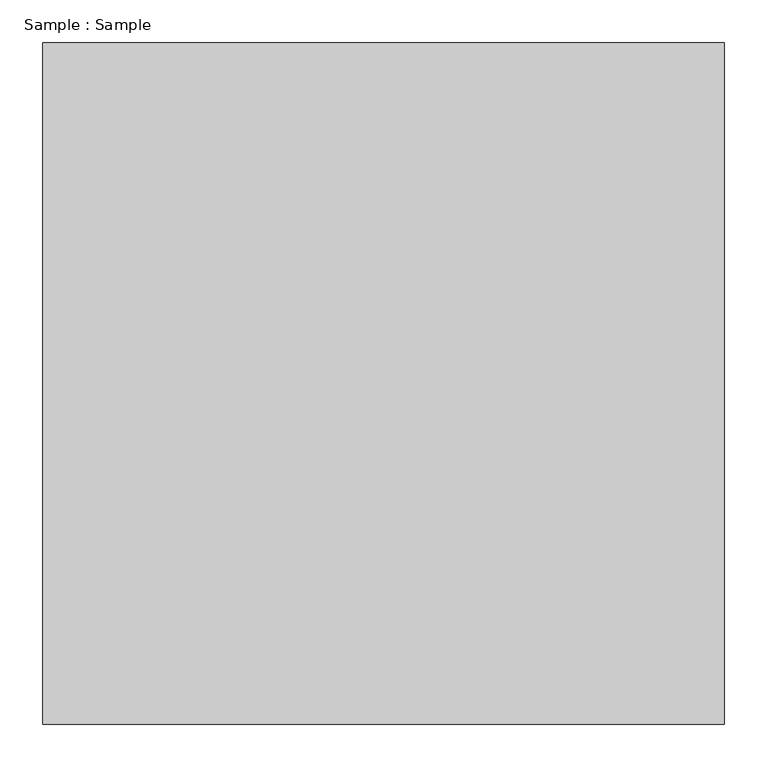
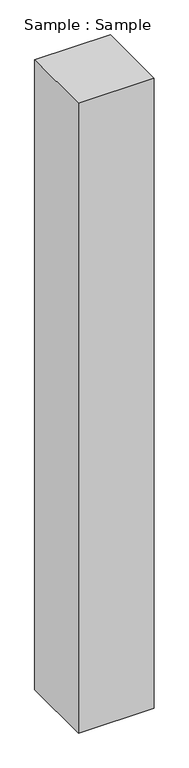
"""IFC4 building model written with IfcOpenShell, lengths in millimetres: proxy geometry, Sample : Sample."""

import ifcopenshell
import ifcopenshell.guid

model = None  # the IFC model being written
_history = None  # IfcOwnerHistory: only IFC2X3 demands one
_inside = {}  # id of a spatial element -> (the spatial element, [elements in it])
_under = {}  # id of a project, library or spatial element -> (it, [spatial elements below it])
_declared = {}  # id of a project -> (the project, [libraries it declares])
_typed = {}  # id of a type object -> (the type object, [elements of that type])
_made_of = {}  # id of a material, layer set ... -> (it, [elements and type objects made of it])


def new_model(schema):
    """Start an empty IFC model of exactly this schema.

    Asked for "IFC4X3", IfcOpenShell would pick the latest addendum, in which some entities
    have other attributes; the version numbers below select the first issue.
    IFC2X3 requires an IfcOwnerHistory on every rooted entity: one is made here for all.
    """
    global model, _history
    if schema == "IFC4X3":
        model = ifcopenshell.file(schema_version=(4, 3, 0, 0))
    else:
        model = ifcopenshell.file(schema=schema)
    _inside.clear()
    _under.clear()
    _declared.clear()
    _typed.clear()
    _made_of.clear()
    _history = None
    if model.schema == "IFC2X3":
        org = make("IfcOrganization", Name="unknown")
        user = make(
            "IfcPersonAndOrganization",
            ThePerson=make("IfcPerson", FamilyName="unknown"),
            TheOrganization=org,
        )
        app = make(
            "IfcApplication",
            ApplicationDeveloper=org,
            Version="unknown",
            ApplicationFullName="unknown",
            ApplicationIdentifier="unknown",
        )
        _history = make(
            "IfcOwnerHistory",
            OwningUser=user,
            OwningApplication=app,
            ChangeAction="ADDED",
            CreationDate=0,
        )
    return model


def make(cls, **values):
    """One entity of the class cls with the attributes given. An attribute that is None is left unset."""
    return model.create_entity(
        cls, **{name: value for name, value in values.items() if value is not None}
    )


def rooted(cls, **values):
    """An entity with a GlobalId (a new one), such as an element, a storey or a relation."""
    return make(cls, GlobalId=ifcopenshell.guid.new(), OwnerHistory=_history, **values)


def si_unit(unit_type, name, prefix=None):
    """IfcSIUnit, for example si_unit("LENGTHUNIT", "METRE", prefix="MILLI")."""
    return make("IfcSIUnit", UnitType=unit_type, Prefix=prefix, Name=name)


def assignment(units):
    """IfcUnitAssignment: the units of a project."""
    return None if units is None else make("IfcUnitAssignment", Units=units)


def point(xyz):
    """IfcCartesianPoint."""
    return None if xyz is None else make("IfcCartesianPoint", Coordinates=xyz)


def direction(xyz):
    """IfcDirection."""
    return None if xyz is None else make("IfcDirection", DirectionRatios=xyz)


def frame(location, z_axis=None, x_axis=None):
    """IfcAxis2Placement3D, a coordinate frame: its origin and axes. An axis left out is left unset."""
    return make(
        "IfcAxis2Placement3D",
        Location=point(location),
        Axis=direction(z_axis),
        RefDirection=direction(x_axis),
    )


def origin():
    """The frame at (0, 0, 0) with its axes left unset."""
    return frame((0.0, 0.0, 0.0))


def origin_with_axes():
    """The frame at (0, 0, 0) with the z axis (0, 0, 1) and the x axis (1, 0, 0) written out."""
    return frame((0.0, 0.0, 0.0), z_axis=(0.0, 0.0, 1.0), x_axis=(1.0, 0.0, 0.0))


def place(relative_to, where):
    """IfcLocalPlacement: puts the frame where relative to a parent placement (None: the world)."""
    return make(
        "IfcLocalPlacement", PlacementRelTo=relative_to, RelativePlacement=where
    )


def context(
    kind, dimensions, precision=None, world=None, true_north=None, identifier=None
):
    """IfcGeometricRepresentationContext, for example the 3D "Model" context."""
    return make(
        "IfcGeometricRepresentationContext",
        ContextIdentifier=identifier,
        ContextType=kind,
        CoordinateSpaceDimension=dimensions,
        Precision=precision,
        WorldCoordinateSystem=world,
        TrueNorth=true_north,
    )


def project(units=None, contexts=None):
    """IfcProject with its units and contexts."""
    return rooted(
        "IfcProject",
        Name="project",
        RepresentationContexts=contexts,
        UnitsInContext=assignment(units),
    )


def spatial(cls, under=None, at=None, **own):
    """A site, building, storey or space (cls), placed at a placement, below another one or the project."""
    s = rooted(cls, ObjectPlacement=at, **own)
    if under is not None:
        _under.setdefault(under.id(), (under, []))[1].append(s)
    return s


def polyline(points):
    """IfcPolyline through the points."""
    return make("IfcPolyline", Points=[point(p) for p in points])


def outline(outer, holes=None, kind="AREA"):
    """IfcArbitraryClosedProfileDef: a profile drawn as a closed curve; with holes, ...WithVoids."""
    if holes is None:
        return make("IfcArbitraryClosedProfileDef", ProfileType=kind, OuterCurve=outer)
    return make(
        "IfcArbitraryProfileDefWithVoids",
        ProfileType=kind,
        OuterCurve=outer,
        InnerCurves=holes,
    )


def extrude(swept, where, along, depth):
    """IfcExtrudedAreaSolid: the profile swept, set in the frame where, extruded along a direction by depth."""
    return make(
        "IfcExtrudedAreaSolid",
        SweptArea=swept,
        Position=where,
        ExtrudedDirection=direction(along),
        Depth=depth,
    )


def shape(context_of_items, identifier, shape_type, items):
    """IfcShapeRepresentation: the items that make up one representation, for example the "Body"."""
    return make(
        "IfcShapeRepresentation",
        ContextOfItems=context_of_items,
        RepresentationIdentifier=identifier,
        RepresentationType=shape_type,
        Items=items,
    )


def source(mapping_origin, context_of_items, identifier, shape_type, items):
    """IfcRepresentationMap: a shape defined once, which mapped items show again and again."""
    return make(
        "IfcRepresentationMap",
        MappingOrigin=mapping_origin,
        MappedRepresentation=shape(context_of_items, identifier, shape_type, items),
    )


def transform(
    local_origin,
    x_axis=None,
    y_axis=None,
    z_axis=None,
    scale=None,
    scale2=None,
    scale3=None,
    uniform=True,
):
    """IfcCartesianTransformationOperator3D, or its non-uniform kind. x_axis, y_axis, z_axis: its Axis1, 2, 3."""
    if uniform:
        return make(
            "IfcCartesianTransformationOperator3D",
            Axis1=direction(x_axis),
            Axis2=direction(y_axis),
            LocalOrigin=point(local_origin),
            Scale=scale,
            Axis3=direction(z_axis),
        )
    return make(
        "IfcCartesianTransformationOperator3DnonUniform",
        Axis1=direction(x_axis),
        Axis2=direction(y_axis),
        LocalOrigin=point(local_origin),
        Scale=scale,
        Axis3=direction(z_axis),
        Scale2=scale2,
        Scale3=scale3,
    )


def mapped(mapping_source, mapping_target):
    """IfcMappedItem: shows the shape of a source again, moved by a transform."""
    return make(
        "IfcMappedItem", MappingSource=mapping_source, MappingTarget=mapping_target
    )


def made_of(thing, what):
    """Note that an element or type object is made of a material, layer set ...; save() writes the relation."""
    if what is not None:
        _made_of.setdefault(what.id(), (what, []))[1].append(thing)
    return thing


def element(
    cls,
    number,
    at=None,
    inside=None,
    cuts=None,
    type_object=None,
    material=None,
    context=None,
    identifier="Body",
    shape_type=None,
    held_by="IfcProductDefinitionShape",
    body=None,
    shapes=None,
    **own,
):
    """One element of the class cls, such as IfcWall. Its Tag is "e" and its number.

    at: its placement. inside: the storey or other place that contains it. cuts: it is an
    opening in that element (IfcRelVoidsElement). A single representation is given by context,
    identifier, shape_type and body (its items); several are given by shapes. held_by: the class
    of the entity that holds the representations. save() writes the other relations.
    """
    e = rooted(cls, Tag="e%d" % number, ObjectPlacement=at, **own)
    if body is not None:
        shapes = [shape(context, identifier, shape_type, body)]
    if shapes is not None:
        e.Representation = make(held_by, Representations=shapes)
    if inside is not None:
        _inside.setdefault(inside.id(), (inside, []))[1].append(e)
    if cuts is not None:
        rooted(
            "IfcRelVoidsElement", RelatingBuildingElement=cuts, RelatedOpeningElement=e
        )
    if type_object is not None:
        _typed.setdefault(type_object.id(), (type_object, []))[1].append(e)
    return made_of(e, material)


def aggregate(whole, parts):
    """IfcRelAggregates: a whole, such as a stair, and the parts it consists of."""
    return rooted("IfcRelAggregates", RelatingObject=whole, RelatedObjects=parts)


def save(model, path):
    """Write the relations noted so far, then the file.

    IfcRelAggregates (storeys below a building ...), IfcRelContainedInSpatialStructure (elements
    in a storey), IfcRelDefinesByType, IfcRelAssociatesMaterial and IfcRelDeclares: one each for
    every whole, place, type object, material and project.
    """
    for whole, parts in _under.values():
        aggregate(whole, parts)
    for where, things in _inside.values():
        rooted(
            "IfcRelContainedInSpatialStructure",
            RelatedElements=things,
            RelatingStructure=where,
        )
    for kind, things in _typed.values():
        rooted("IfcRelDefinesByType", RelatedObjects=things, RelatingType=kind)
    for what, things in _made_of.values():
        rooted("IfcRelAssociatesMaterial", RelatedObjects=things, RelatingMaterial=what)
    for by, libraries in _declared.values():
        rooted("IfcRelDeclares", RelatingContext=by, RelatedDefinitions=libraries)
    model.write(path)


def sample_sample_3f653bab(model_context):
    return source(origin(), model_context, "Body", "SweptSolid", [
        extrude(outline(polyline([(400.0, 400.0), (400.0, -400.0), (-400.0, -400.0), (-400.0, 400.0), (400.0, 400.0)])), origin_with_axes(), (0.0, 0.0, 1.0), 7034.4827586),
    ])


if __name__ == "__main__":
    model = new_model("IFC4")
    model_context = context("Model", 3, world=origin())
    ifc_project = project(units=[si_unit("LENGTHUNIT", "METRE", prefix="MILLI")], contexts=[model_context])
    site = spatial("IfcSite", under=ifc_project)
    building = spatial("IfcBuilding", under=site)
    placement = place(None, origin())
    sample_sample_shape = sample_sample_3f653bab(model_context)
    element("IfcBuildingElementProxy", 1, Name="Sample : Sample", ObjectType="Sample : Sample", at=placement, inside=building, context=model_context, shape_type="MappedRepresentation", body=[
        mapped(sample_sample_shape, transform((0.0, 0.0, 0.0), x_axis=(1.0, 0.0, 0.0), y_axis=(0.0, 1.0, 0.0), z_axis=(0.0, 0.0, 1.0))),
    ])
    save(model, "model.ifc")
